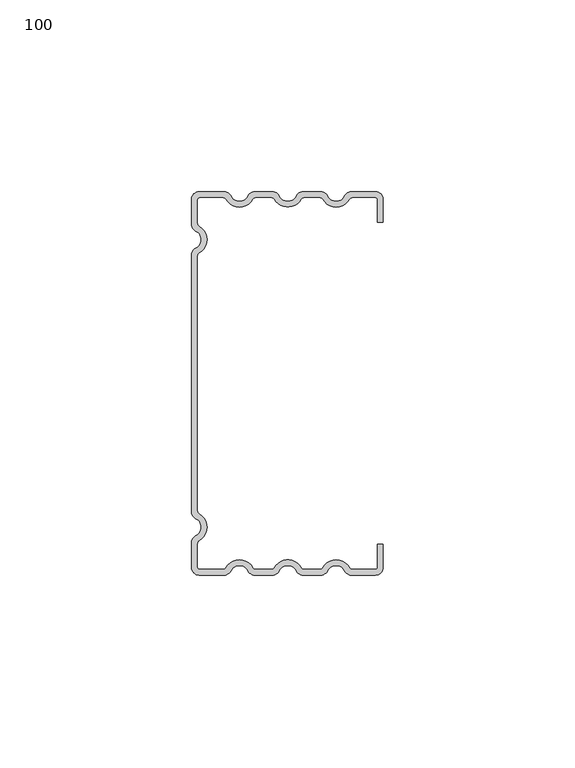
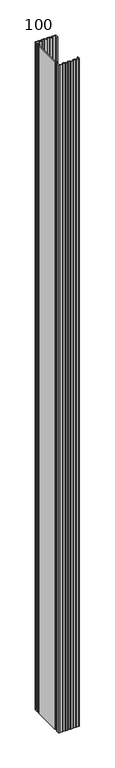
"""IFC4 building model written with IfcOpenShell, lengths in millimetres: proxy geometry, 100."""

from ifc_helpers import new_model, si_unit, point, frame_2d, origin, origin_with_axes, place, context, project, spatial, polyline, circle_curve, trimmed, segment, composite_curve, outline, extrude, source, transform, mapped, element, save


def proxy_100_5c2d60a3(model_context):
    return source(origin(), model_context, "Body", "SweptSolid", [
        extrude(outline(composite_curve([segment(polyline([(50.0, 42.0), (48.5, 42.0), (48.5, 48.0)]), True, "CONTINUOUS"), segment(trimmed(circle_curve(frame_2d((48.0, 48.0)), 0.5), [point((48.5, 48.0))], [point((48.0, 48.5))], True, "CARTESIAN"), True, "CONTINUOUS"), segment(polyline([(48.0, 48.5), (42.0640787, 48.5)]), True, "CONTINUOUS"), segment(trimmed(circle_curve(frame_2d((42.0640787, 47.5)), 1.0), [point((42.0640787, 48.5))], [point((41.1980533, 48.0))], True, "CARTESIAN"), True, "CONTINUOUS"), segment(trimmed(circle_curve(frame_2d((37.7339517, 50.0)), 4.0), [point((41.1980533, 48.0))], [point((34.2698501, 48.0))], False, "CARTESIAN"), True, "CONTINUOUS"), segment(trimmed(circle_curve(frame_2d((33.4038247, 47.5)), 1.0), [point((34.2698501, 48.0))], [point((33.4038247, 48.5))], True, "CARTESIAN"), True, "CONTINUOUS"), segment(polyline([(33.4038247, 48.5), (29.4471029, 48.5)]), True, "CONTINUOUS"), segment(trimmed(circle_curve(frame_2d((29.4471029, 47.5)), 1.0), [point((29.4471029, 48.5))], [point((28.5810775, 48.0))], True, "CARTESIAN"), True, "CONTINUOUS"), segment(trimmed(circle_curve(frame_2d((25.1169759, 50.0)), 4.0), [point((28.5810775, 48.0))], [point((21.6528742, 48.0))], False, "CARTESIAN"), True, "CONTINUOUS"), segment(trimmed(circle_curve(frame_2d((20.7868488, 47.5)), 1.0), [point((21.6528742, 48.0))], [point((20.7868488, 48.5))], True, "CARTESIAN"), True, "CONTINUOUS"), segment(polyline([(20.7868488, 48.5), (16.830127, 48.5)]), True, "CONTINUOUS"), segment(trimmed(circle_curve(frame_2d((16.830127, 47.5)), 1.0), [point((16.830127, 48.5))], [point((15.9641016, 48.0))], True, "CARTESIAN"), True, "CONTINUOUS"), segment(trimmed(circle_curve(frame_2d((12.5, 50.0)), 4.0), [point((15.9641016, 48.0))], [point((9.0358984, 48.0))], False, "CARTESIAN"), True, "CONTINUOUS"), segment(trimmed(circle_curve(frame_2d((8.169873, 47.5)), 1.0), [point((9.0358984, 48.0))], [point((8.169873, 48.5))], True, "CARTESIAN"), True, "CONTINUOUS"), segment(polyline([(8.169873, 48.5), (2.0, 48.5)]), True, "CONTINUOUS"), segment(trimmed(circle_curve(frame_2d((2.0, 48.0)), 0.5), [point((2.0, 48.5))], [point((1.5, 48.0))], True, "CARTESIAN"), True, "CONTINUOUS"), segment(polyline([(1.5, 48.0), (1.5, 41.830127)]), True, "CONTINUOUS"), segment(trimmed(circle_curve(frame_2d((2.5, 41.830127)), 1.0), [point((1.5, 41.830127))], [point((2.0, 40.9641016))], True, "CARTESIAN"), True, "CONTINUOUS"), segment(trimmed(circle_curve(frame_2d((0.0, 37.5)), 4.0), [point((2.0, 40.9641016))], [point((2.0, 34.0358984))], False, "CARTESIAN"), True, "CONTINUOUS"), segment(trimmed(circle_curve(frame_2d((2.5, 33.169873)), 1.0), [point((2.0, 34.0358984))], [point((1.5, 33.169873))], True, "CARTESIAN"), True, "CONTINUOUS"), segment(polyline([(1.5, 33.169873), (1.5, -33.169873)]), True, "CONTINUOUS"), segment(trimmed(circle_curve(frame_2d((2.5, -33.169873)), 1.0), [point((1.5, -33.169873))], [point((2.0, -34.0358984))], True, "CARTESIAN"), True, "CONTINUOUS"), segment(trimmed(circle_curve(frame_2d((0.0, -37.5)), 4.0), [point((2.0, -34.0358984))], [point((2.0, -40.9641016))], False, "CARTESIAN"), True, "CONTINUOUS"), segment(trimmed(circle_curve(frame_2d((2.5, -41.830127)), 1.0), [point((2.0, -40.9641016))], [point((1.5, -41.830127))], True, "CARTESIAN"), True, "CONTINUOUS"), segment(polyline([(1.5, -41.830127), (1.5, -48.0)]), True, "CONTINUOUS"), segment(trimmed(circle_curve(frame_2d((2.0, -48.0)), 0.5), [point((1.5, -48.0))], [point((2.0, -48.5))], True, "CARTESIAN"), True, "CONTINUOUS"), segment(polyline([(2.0, -48.5), (8.169873, -48.5)]), True, "CONTINUOUS"), segment(trimmed(circle_curve(frame_2d((8.169873, -47.5)), 1.0), [point((8.169873, -48.5))], [point((9.0358984, -48.0))], True, "CARTESIAN"), True, "CONTINUOUS"), segment(trimmed(circle_curve(frame_2d((12.5, -50.0)), 4.0), [point((9.0358984, -48.0))], [point((15.9641016, -48.0))], False, "CARTESIAN"), True, "CONTINUOUS"), segment(trimmed(circle_curve(frame_2d((16.830127, -47.5)), 1.0), [point((15.9641016, -48.0))], [point((16.830127, -48.5))], True, "CARTESIAN"), True, "CONTINUOUS"), segment(polyline([(16.830127, -48.5), (20.7868488, -48.5)]), True, "CONTINUOUS"), segment(trimmed(circle_curve(frame_2d((20.7868488, -47.5)), 1.0), [point((20.7868488, -48.5))], [point((21.6528742, -48.0))], True, "CARTESIAN"), True, "CONTINUOUS"), segment(trimmed(circle_curve(frame_2d((25.1169759, -50.0)), 4.0), [point((21.6528742, -48.0))], [point((28.5810775, -48.0))], False, "CARTESIAN"), True, "CONTINUOUS"), segment(trimmed(circle_curve(frame_2d((29.4471029, -47.5)), 1.0), [point((28.5810775, -48.0))], [point((29.4471029, -48.5))], True, "CARTESIAN"), True, "CONTINUOUS"), segment(polyline([(29.4471029, -48.5), (33.4038247, -48.5)]), True, "CONTINUOUS"), segment(trimmed(circle_curve(frame_2d((33.4038247, -47.5)), 1.0), [point((33.4038247, -48.5))], [point((34.2698501, -48.0))], True, "CARTESIAN"), True, "CONTINUOUS"), segment(trimmed(circle_curve(frame_2d((37.7339517, -50.0)), 4.0), [point((34.2698501, -48.0))], [point((41.1980533, -48.0))], False, "CARTESIAN"), True, "CONTINUOUS"), segment(trimmed(circle_curve(frame_2d((42.0640787, -47.5)), 1.0), [point((41.1980533, -48.0))], [point((42.0640787, -48.5))], True, "CARTESIAN"), True, "CONTINUOUS"), segment(polyline([(42.0640787, -48.5), (48.0, -48.5)]), True, "CONTINUOUS"), segment(trimmed(circle_curve(frame_2d((48.0, -48.0)), 0.5), [point((48.0, -48.5))], [point((48.5, -48.0))], True, "CARTESIAN"), True, "CONTINUOUS"), segment(polyline([(48.5, -48.0), (48.5, -42.0), (50.0, -42.0), (50.0, -48.0)]), True, "CONTINUOUS"), segment(trimmed(circle_curve(frame_2d((48.0, -48.0)), 2.0), [point((50.0, -48.0))], [point((48.0, -50.0))], False, "CARTESIAN"), True, "CONTINUOUS"), segment(polyline([(48.0, -50.0), (41.7650806, -50.0)]), True, "CONTINUOUS"), segment(trimmed(circle_curve(frame_2d((41.7650806, -48.0)), 2.0), [point((41.7650806, -50.0))], [point((39.9734678, -48.8888889))], False, "CARTESIAN"), True, "CONTINUOUS"), segment(trimmed(circle_curve(frame_2d((37.7339517, -50.0)), 2.5), [point((39.9734678, -48.8888889))], [point((35.4944357, -48.8888889))], True, "CARTESIAN"), True, "CONTINUOUS"), segment(trimmed(circle_curve(frame_2d((33.7028228, -48.0)), 2.0), [point((35.4944357, -48.8888889))], [point((33.7028228, -50.0))], False, "CARTESIAN"), True, "CONTINUOUS"), segment(polyline([(33.7028228, -50.0), (29.1481047, -50.0)]), True, "CONTINUOUS"), segment(trimmed(circle_curve(frame_2d((29.1481047, -48.0)), 2.0), [point((29.1481047, -50.0))], [point((27.3564919, -48.8888889))], False, "CARTESIAN"), True, "CONTINUOUS"), segment(trimmed(circle_curve(frame_2d((25.1169759, -50.0)), 2.5), [point((27.3564919, -48.8888889))], [point((22.8774598, -48.8888889))], True, "CARTESIAN"), True, "CONTINUOUS"), segment(trimmed(circle_curve(frame_2d((21.085847, -48.0)), 2.0), [point((22.8774598, -48.8888889))], [point((21.085847, -50.0))], False, "CARTESIAN"), True, "CONTINUOUS"), segment(polyline([(21.085847, -50.0), (16.5311289, -50.0)]), True, "CONTINUOUS"), segment(trimmed(circle_curve(frame_2d((16.5311289, -48.0)), 2.0), [point((16.5311289, -50.0))], [point((14.739516, -48.8888889))], False, "CARTESIAN"), True, "CONTINUOUS"), segment(trimmed(circle_curve(frame_2d((12.5, -50.0)), 2.5), [point((14.739516, -48.8888889))], [point((10.260484, -48.8888889))], True, "CARTESIAN"), True, "CONTINUOUS"), segment(trimmed(circle_curve(frame_2d((8.4688711, -48.0)), 2.0), [point((10.260484, -48.8888889))], [point((8.4688711, -50.0))], False, "CARTESIAN"), True, "CONTINUOUS"), segment(polyline([(8.4688711, -50.0), (2.0, -50.0)]), True, "CONTINUOUS"), segment(trimmed(circle_curve(frame_2d((2.0, -48.0)), 2.0), [point((2.0, -50.0))], [point((0.0, -48.0))], False, "CARTESIAN"), True, "CONTINUOUS"), segment(polyline([(0.0, -48.0), (0.0, -41.5311289)]), True, "CONTINUOUS"), segment(trimmed(circle_curve(frame_2d((2.0, -41.5311289)), 2.0), [point((0.0, -41.5311289))], [point((1.1111111, -39.739516))], False, "CARTESIAN"), True, "CONTINUOUS"), segment(trimmed(circle_curve(frame_2d((0.0, -37.5)), 2.5), [point((1.1111111, -39.739516))], [point((1.1111111, -35.260484))], True, "CARTESIAN"), True, "CONTINUOUS"), segment(trimmed(circle_curve(frame_2d((2.0, -33.4688711)), 2.0), [point((1.1111111, -35.260484))], [point((0.0, -33.4688711))], False, "CARTESIAN"), True, "CONTINUOUS"), segment(polyline([(0.0, -33.4688711), (0.0, 33.4688711)]), True, "CONTINUOUS"), segment(trimmed(circle_curve(frame_2d((2.0, 33.4688711)), 2.0), [point((0.0, 33.4688711))], [point((1.1111111, 35.260484))], False, "CARTESIAN"), True, "CONTINUOUS"), segment(trimmed(circle_curve(frame_2d((0.0, 37.5)), 2.5), [point((1.1111111, 35.260484))], [point((1.1111111, 39.739516))], True, "CARTESIAN"), True, "CONTINUOUS"), segment(trimmed(circle_curve(frame_2d((2.0, 41.5311289)), 2.0), [point((1.1111111, 39.739516))], [point((0.0, 41.5311289))], False, "CARTESIAN"), True, "CONTINUOUS"), segment(polyline([(0.0, 41.5311289), (0.0, 48.0)]), True, "CONTINUOUS"), segment(trimmed(circle_curve(frame_2d((2.0, 48.0)), 2.0), [point((0.0, 48.0))], [point((2.0, 50.0))], False, "CARTESIAN"), True, "CONTINUOUS"), segment(polyline([(2.0, 50.0), (8.4688711, 50.0)]), True, "CONTINUOUS"), segment(trimmed(circle_curve(frame_2d((8.4688711, 48.0)), 2.0), [point((8.4688711, 50.0))], [point((10.260484, 48.8888889))], False, "CARTESIAN"), True, "CONTINUOUS"), segment(trimmed(circle_curve(frame_2d((12.5, 50.0)), 2.5), [point((10.260484, 48.8888889))], [point((14.739516, 48.8888889))], True, "CARTESIAN"), True, "CONTINUOUS"), segment(trimmed(circle_curve(frame_2d((16.5311289, 48.0)), 2.0), [point((14.739516, 48.8888889))], [point((16.5311289, 50.0))], False, "CARTESIAN"), True, "CONTINUOUS"), segment(polyline([(16.5311289, 50.0), (21.085847, 50.0)]), True, "CONTINUOUS"), segment(trimmed(circle_curve(frame_2d((21.085847, 48.0)), 2.0), [point((21.085847, 50.0))], [point((22.8774598, 48.8888889))], False, "CARTESIAN"), True, "CONTINUOUS"), segment(trimmed(circle_curve(frame_2d((25.1169759, 50.0)), 2.5), [point((22.8774598, 48.8888889))], [point((27.3564919, 48.8888889))], True, "CARTESIAN"), True, "CONTINUOUS"), segment(trimmed(circle_curve(frame_2d((29.1481047, 48.0)), 2.0), [point((27.3564919, 48.8888889))], [point((29.1481047, 50.0))], False, "CARTESIAN"), True, "CONTINUOUS"), segment(polyline([(29.1481047, 50.0), (33.7028228, 50.0)]), True, "CONTINUOUS"), segment(trimmed(circle_curve(frame_2d((33.7028228, 48.0)), 2.0), [point((33.7028228, 50.0))], [point((35.4944357, 48.8888889))], False, "CARTESIAN"), True, "CONTINUOUS"), segment(trimmed(circle_curve(frame_2d((37.7339517, 50.0)), 2.5), [point((35.4944357, 48.8888889))], [point((39.9734678, 48.8888889))], True, "CARTESIAN"), True, "CONTINUOUS"), segment(trimmed(circle_curve(frame_2d((41.7650806, 48.0)), 2.0), [point((39.9734678, 48.8888889))], [point((41.7650806, 50.0))], False, "CARTESIAN"), True, "CONTINUOUS"), segment(polyline([(41.7650806, 50.0), (48.0, 50.0)]), True, "CONTINUOUS"), segment(trimmed(circle_curve(frame_2d((48.0, 48.0)), 2.0), [point((48.0, 50.0))], [point((50.0, 48.0))], False, "CARTESIAN"), True, "CONTINUOUS"), segment(polyline([(50.0, 48.0), (50.0, 42.0)]), True, "CONTINUOUS")], self_intersect=False)), origin_with_axes(), (0.0, 0.0, 1.0), 1700.0),
    ])


if __name__ == "__main__":
    model = new_model("IFC4")
    model_context = context("Model", 3, world=origin())
    ifc_project = project(units=[si_unit("LENGTHUNIT", "METRE", prefix="MILLI")], contexts=[model_context])
    site = spatial("IfcSite", under=ifc_project)
    building = spatial("IfcBuilding", under=site)
    placement = place(None, origin())
    proxy_100_shape = proxy_100_5c2d60a3(model_context)
    element("IfcBuildingElementProxy", 1, Name="100", ObjectType="100", at=placement, inside=building, context=model_context, shape_type="MappedRepresentation", body=[
        mapped(proxy_100_shape, transform((0.0, 0.0, 0.0), x_axis=(1.0, 0.0, 0.0), y_axis=(0.0, 1.0, 0.0), z_axis=(0.0, 0.0, 1.0))),
    ])
    save(model, "model.ifc")
